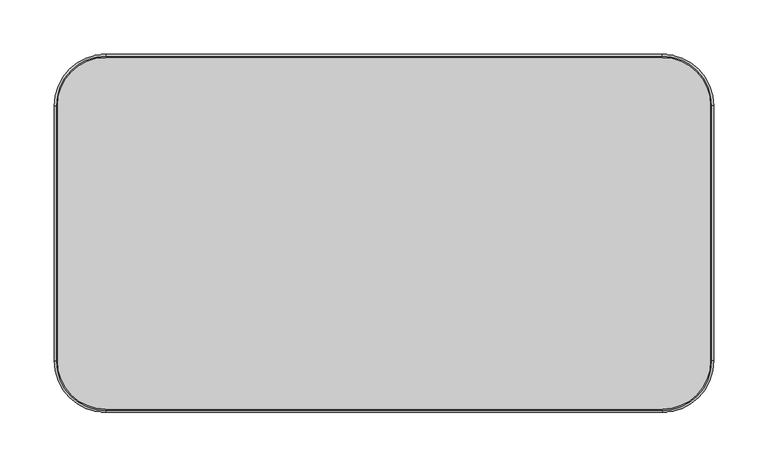
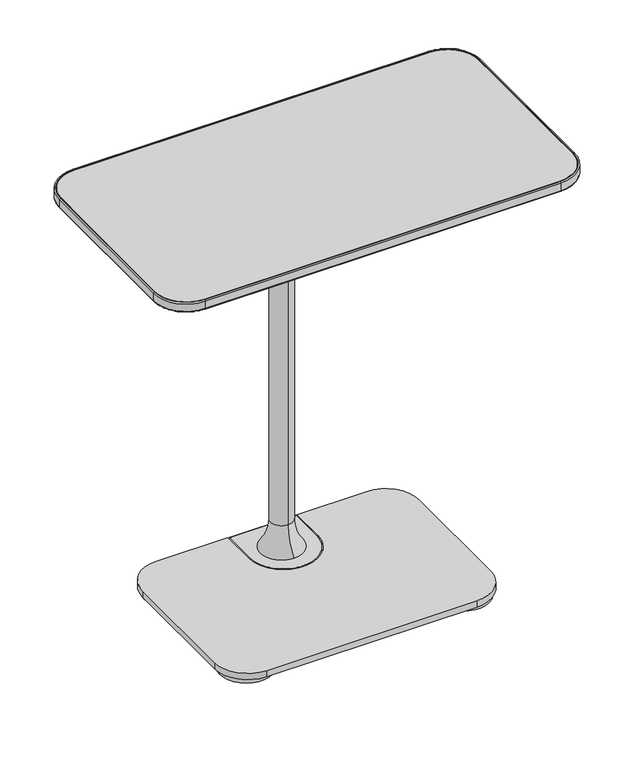
"""IFC4 building model written with IfcOpenShell, lengths in millimetres: furniture geometry."""

import ifcopenshell
import ifcopenshell.guid

model = None  # the IFC model being written
_history = None  # IfcOwnerHistory: only IFC2X3 demands one
_inside = {}  # id of a spatial element -> (the spatial element, [elements in it])
_under = {}  # id of a project, library or spatial element -> (it, [spatial elements below it])
_declared = {}  # id of a project -> (the project, [libraries it declares])
_typed = {}  # id of a type object -> (the type object, [elements of that type])
_made_of = {}  # id of a material, layer set ... -> (it, [elements and type objects made of it])


def new_model(schema):
    """Start an empty IFC model of exactly this schema.

    Asked for "IFC4X3", IfcOpenShell would pick the latest addendum, in which some entities
    have other attributes; the version numbers below select the first issue.
    IFC2X3 requires an IfcOwnerHistory on every rooted entity: one is made here for all.
    """
    global model, _history
    if schema == "IFC4X3":
        model = ifcopenshell.file(schema_version=(4, 3, 0, 0))
    else:
        model = ifcopenshell.file(schema=schema)
    _inside.clear()
    _under.clear()
    _declared.clear()
    _typed.clear()
    _made_of.clear()
    _history = None
    if model.schema == "IFC2X3":
        org = make("IfcOrganization", Name="unknown")
        user = make(
            "IfcPersonAndOrganization",
            ThePerson=make("IfcPerson", FamilyName="unknown"),
            TheOrganization=org,
        )
        app = make(
            "IfcApplication",
            ApplicationDeveloper=org,
            Version="unknown",
            ApplicationFullName="unknown",
            ApplicationIdentifier="unknown",
        )
        _history = make(
            "IfcOwnerHistory",
            OwningUser=user,
            OwningApplication=app,
            ChangeAction="ADDED",
            CreationDate=0,
        )
    return model


def make(cls, **values):
    """One entity of the class cls with the attributes given. An attribute that is None is left unset."""
    return model.create_entity(
        cls, **{name: value for name, value in values.items() if value is not None}
    )


def rooted(cls, **values):
    """An entity with a GlobalId (a new one), such as an element, a storey or a relation."""
    return make(cls, GlobalId=ifcopenshell.guid.new(), OwnerHistory=_history, **values)


def si_unit(unit_type, name, prefix=None):
    """IfcSIUnit, for example si_unit("LENGTHUNIT", "METRE", prefix="MILLI")."""
    return make("IfcSIUnit", UnitType=unit_type, Prefix=prefix, Name=name)


def assignment(units):
    """IfcUnitAssignment: the units of a project."""
    return None if units is None else make("IfcUnitAssignment", Units=units)


def point(xyz):
    """IfcCartesianPoint."""
    return None if xyz is None else make("IfcCartesianPoint", Coordinates=xyz)


def direction(xyz):
    """IfcDirection."""
    return None if xyz is None else make("IfcDirection", DirectionRatios=xyz)


def frame(location, z_axis=None, x_axis=None):
    """IfcAxis2Placement3D, a coordinate frame: its origin and axes. An axis left out is left unset."""
    return make(
        "IfcAxis2Placement3D",
        Location=point(location),
        Axis=direction(z_axis),
        RefDirection=direction(x_axis),
    )


def frame_2d(location, x_axis=None):
    """IfcAxis2Placement2D, a coordinate frame in the plane: its origin and x axis."""
    return make(
        "IfcAxis2Placement2D", Location=point(location), RefDirection=direction(x_axis)
    )


def origin():
    """The frame at (0, 0, 0) with its axes left unset."""
    return frame((0.0, 0.0, 0.0))


def origin_with_axes():
    """The frame at (0, 0, 0) with the z axis (0, 0, 1) and the x axis (1, 0, 0) written out."""
    return frame((0.0, 0.0, 0.0), z_axis=(0.0, 0.0, 1.0), x_axis=(1.0, 0.0, 0.0))


def place(relative_to, where):
    """IfcLocalPlacement: puts the frame where relative to a parent placement (None: the world)."""
    return make(
        "IfcLocalPlacement", PlacementRelTo=relative_to, RelativePlacement=where
    )


def context(
    kind, dimensions, precision=None, world=None, true_north=None, identifier=None
):
    """IfcGeometricRepresentationContext, for example the 3D "Model" context."""
    return make(
        "IfcGeometricRepresentationContext",
        ContextIdentifier=identifier,
        ContextType=kind,
        CoordinateSpaceDimension=dimensions,
        Precision=precision,
        WorldCoordinateSystem=world,
        TrueNorth=true_north,
    )


def project(units=None, contexts=None):
    """IfcProject with its units and contexts."""
    return rooted(
        "IfcProject",
        Name="project",
        RepresentationContexts=contexts,
        UnitsInContext=assignment(units),
    )


def spatial(cls, under=None, at=None, **own):
    """A site, building, storey or space (cls), placed at a placement, below another one or the project."""
    s = rooted(cls, ObjectPlacement=at, **own)
    if under is not None:
        _under.setdefault(under.id(), (under, []))[1].append(s)
    return s


def polyline(points):
    """IfcPolyline through the points."""
    return make("IfcPolyline", Points=[point(p) for p in points])


def circle_curve(where, radius):
    """IfcCircle in the frame where."""
    return make("IfcCircle", Position=where, Radius=radius)


def ellipse_curve(where, semi_axis1, semi_axis2):
    """IfcEllipse in the frame where."""
    return make(
        "IfcEllipse", Position=where, SemiAxis1=semi_axis1, SemiAxis2=semi_axis2
    )


def trimmed(basis, trim1, trim2, sense, master):
    """IfcTrimmedCurve: the piece of a basis curve between two trims."""
    return make(
        "IfcTrimmedCurve",
        BasisCurve=basis,
        Trim1=trim1,
        Trim2=trim2,
        SenseAgreement=sense,
        MasterRepresentation=master,
    )


def segment(curve, same_sense, transition):
    """IfcCompositeCurveSegment."""
    return make(
        "IfcCompositeCurveSegment",
        Transition=transition,
        SameSense=same_sense,
        ParentCurve=curve,
    )


def composite_curve(segments, self_intersect=None):
    """IfcCompositeCurve: segments joined end to end."""
    return make("IfcCompositeCurve", Segments=segments, SelfIntersect=self_intersect)


def outline(outer, holes=None, kind="AREA"):
    """IfcArbitraryClosedProfileDef: a profile drawn as a closed curve; with holes, ...WithVoids."""
    if holes is None:
        return make("IfcArbitraryClosedProfileDef", ProfileType=kind, OuterCurve=outer)
    return make(
        "IfcArbitraryProfileDefWithVoids",
        ProfileType=kind,
        OuterCurve=outer,
        InnerCurves=holes,
    )


def extrude(swept, where, along, depth):
    """IfcExtrudedAreaSolid: the profile swept, set in the frame where, extruded along a direction by depth."""
    return make(
        "IfcExtrudedAreaSolid",
        SweptArea=swept,
        Position=where,
        ExtrudedDirection=direction(along),
        Depth=depth,
    )


def shape(context_of_items, identifier, shape_type, items):
    """IfcShapeRepresentation: the items that make up one representation, for example the "Body"."""
    return make(
        "IfcShapeRepresentation",
        ContextOfItems=context_of_items,
        RepresentationIdentifier=identifier,
        RepresentationType=shape_type,
        Items=items,
    )


def source(mapping_origin, context_of_items, identifier, shape_type, items):
    """IfcRepresentationMap: a shape defined once, which mapped items show again and again."""
    return make(
        "IfcRepresentationMap",
        MappingOrigin=mapping_origin,
        MappedRepresentation=shape(context_of_items, identifier, shape_type, items),
    )


def transform(
    local_origin,
    x_axis=None,
    y_axis=None,
    z_axis=None,
    scale=None,
    scale2=None,
    scale3=None,
    uniform=True,
):
    """IfcCartesianTransformationOperator3D, or its non-uniform kind. x_axis, y_axis, z_axis: its Axis1, 2, 3."""
    if uniform:
        return make(
            "IfcCartesianTransformationOperator3D",
            Axis1=direction(x_axis),
            Axis2=direction(y_axis),
            LocalOrigin=point(local_origin),
            Scale=scale,
            Axis3=direction(z_axis),
        )
    return make(
        "IfcCartesianTransformationOperator3DnonUniform",
        Axis1=direction(x_axis),
        Axis2=direction(y_axis),
        LocalOrigin=point(local_origin),
        Scale=scale,
        Axis3=direction(z_axis),
        Scale2=scale2,
        Scale3=scale3,
    )


def mapped(mapping_source, mapping_target):
    """IfcMappedItem: shows the shape of a source again, moved by a transform."""
    return make(
        "IfcMappedItem", MappingSource=mapping_source, MappingTarget=mapping_target
    )


def made_of(thing, what):
    """Note that an element or type object is made of a material, layer set ...; save() writes the relation."""
    if what is not None:
        _made_of.setdefault(what.id(), (what, []))[1].append(thing)
    return thing


def element(
    cls,
    number,
    at=None,
    inside=None,
    cuts=None,
    type_object=None,
    material=None,
    context=None,
    identifier="Body",
    shape_type=None,
    held_by="IfcProductDefinitionShape",
    body=None,
    shapes=None,
    **own,
):
    """One element of the class cls, such as IfcWall. Its Tag is "e" and its number.

    at: its placement. inside: the storey or other place that contains it. cuts: it is an
    opening in that element (IfcRelVoidsElement). A single representation is given by context,
    identifier, shape_type and body (its items); several are given by shapes. held_by: the class
    of the entity that holds the representations. save() writes the other relations.
    """
    e = rooted(cls, Tag="e%d" % number, ObjectPlacement=at, **own)
    if body is not None:
        shapes = [shape(context, identifier, shape_type, body)]
    if shapes is not None:
        e.Representation = make(held_by, Representations=shapes)
    if inside is not None:
        _inside.setdefault(inside.id(), (inside, []))[1].append(e)
    if cuts is not None:
        rooted(
            "IfcRelVoidsElement", RelatingBuildingElement=cuts, RelatedOpeningElement=e
        )
    if type_object is not None:
        _typed.setdefault(type_object.id(), (type_object, []))[1].append(e)
    return made_of(e, material)


def aggregate(whole, parts):
    """IfcRelAggregates: a whole, such as a stair, and the parts it consists of."""
    return rooted("IfcRelAggregates", RelatingObject=whole, RelatedObjects=parts)


def save(model, path):
    """Write the relations noted so far, then the file.

    IfcRelAggregates (storeys below a building ...), IfcRelContainedInSpatialStructure (elements
    in a storey), IfcRelDefinesByType, IfcRelAssociatesMaterial and IfcRelDeclares: one each for
    every whole, place, type object, material and project.
    """
    for whole, parts in _under.values():
        aggregate(whole, parts)
    for where, things in _inside.values():
        rooted(
            "IfcRelContainedInSpatialStructure",
            RelatedElements=things,
            RelatingStructure=where,
        )
    for kind, things in _typed.values():
        rooted("IfcRelDefinesByType", RelatedObjects=things, RelatingType=kind)
    for what, things in _made_of.values():
        rooted("IfcRelAssociatesMaterial", RelatedObjects=things, RelatingMaterial=what)
    for by, libraries in _declared.values():
        rooted("IfcRelDeclares", RelatingContext=by, RelatedDefinitions=libraries)
    model.write(path)


def plane_surface(at):
    """IfcPlane: the flat surface through the origin of the frame at, square to its z axis."""
    return make("IfcPlane", Position=at)


def cylinder_surface(at, radius):
    """IfcCylindricalSurface: all points at the distance radius from the z axis of the frame at."""
    return make("IfcCylindricalSurface", Position=at, Radius=radius)


def revolved_surface(curve, axis_point, axis_direction):
    """IfcSurfaceOfRevolution: the curve turned about the line through axis_point along axis_direction."""
    return make(
        "IfcSurfaceOfRevolution",
        SweptCurve=make("IfcArbitraryOpenProfileDef", ProfileType="CURVE", Curve=curve),
        AxisPosition=make("IfcAxis1Placement", Location=point(axis_point), Axis=direction(axis_direction)),
    )


def advanced_brep(points, edges, surfaces, faces):
    """IfcAdvancedBrep: a solid bounded by faces that lie on surfaces and meet in shared edges.

    An edge is (start, end): straight between two places in points (the first is 0);
    or (start, end, curve); or (start, end, curve, False) where it runs against its curve.
    A face is (place in surfaces, loops), or (place, loops, False) where it looks against
    its surface's normal. A loop lists edges by number (the first is 1), with a minus sign
    where the edge is run from its end to its start. The first loop is the outer one.
    """
    corners = [point(p) for p in points]
    vertices = [make("IfcVertexPoint", VertexGeometry=c) for c in corners]
    made = []
    for start, end, *more in edges:
        made.append(
            make(
                "IfcEdgeCurve",
                EdgeStart=vertices[start],
                EdgeEnd=vertices[end],
                EdgeGeometry=more[0] if more else make("IfcPolyline", Points=[corners[start], corners[end]]),
                SameSense=more[1] if len(more) > 1 else True,
            )
        )
    hull = []
    for where, loops, *sense in faces:
        bounds = []
        for j, loop in enumerate(loops):
            ring = [make("IfcOrientedEdge", EdgeElement=made[abs(k) - 1], Orientation=k > 0) for k in loop]
            bounds.append(
                make(
                    "IfcFaceOuterBound" if j == 0 else "IfcFaceBound",
                    Bound=make("IfcEdgeLoop", EdgeList=ring),
                    Orientation=True,
                )
            )
        hull.append(make("IfcAdvancedFace", Bounds=bounds, FaceSurface=surfaces[where], SameSense=sense[0] if sense else True))
    return make("IfcAdvancedBrep", Outer=make("IfcClosedShell", CfsFaces=hull))


def furniture_d2e51079(model_context):
    return source(origin(), model_context, "Body", "SolidModel", [
        advanced_brep(
        [(-48.435586, 86.197599, 15.3754683), (51.6565428, 86.197599, 15.3754683), (50.1397432, 86.197599, 16.8922679), (-46.9187865, 86.197599, 16.8922679), (-48.435586, 86.197599, 7.5129953), (51.6565428, 86.197599, 7.5129953), (-46.9187865, 135.1065525, 16.8922679), (-48.435586, 135.1065525, 15.3754683), (-48.435586, 135.1065525, 7.5129953), (-44.9985216, 138.543617, 15.3754683), (-44.9985216, 137.0268174, 16.8922679), (48.2194784, 137.0268174, 16.8922679), (48.2194784, 138.543617, 15.3754683), (48.2194784, 138.543617, 7.5129953), (-44.9985216, 138.543617, 7.5129953), (51.6565428, 135.1065525, 15.3754683), (50.1397432, 135.1065525, 16.8922679), (51.6565428, 135.1065525, 7.5129953)],
        [
            (0, 1, circle_curve(frame((1.6104784, 86.197599, 15.3754683), z_axis=(0.0, 0.0, 1.0), x_axis=(1.0, 0.0, 0.0)), 50.0460644)),
            (1, 2, circle_curve(frame((50.1397432, 86.197599, 15.3754683), z_axis=(0.0, -1.0, 0.0), x_axis=(1.0, 0.0, 0.0)), 1.5167996)),
            (2, 3, circle_curve(frame((1.6104784, 86.197599, 16.8922679), z_axis=(0.0, 0.0, -1.0), x_axis=(1.0, 0.0, 0.0)), 48.5292649)),
            (3, 0, circle_curve(frame((-46.9187865, 86.197599, 15.3754683), z_axis=(0.0, -1.0, 0.0), x_axis=(-1.0, 0.0, 0.0)), 1.5167996)),
            (0, 4),
            (4, 5, circle_curve(frame((1.6104784, 86.197599, 7.5129953), z_axis=(0.0, 0.0, 1.0), x_axis=(1.0, 0.0, 0.0)), 50.0460644)),
            (5, 1),
            (3, 6),
            (6, 7, circle_curve(frame((-46.9187865, 135.1065525, 15.3754683), z_axis=(0.0, -1.0, 0.0), x_axis=(-1.0, 0.0, 0.0)), 1.5167996)),
            (7, 0),
            (7, 8),
            (8, 4),
            (9, 10, circle_curve(frame((-44.9985216, 137.0268174, 15.3754683), z_axis=(1.0, 0.0, 0.0), x_axis=(0.0, 1.0, 0.0)), 1.5167996)),
            (10, 11),
            (11, 12, circle_curve(frame((48.2194784, 137.0268174, 15.3754683), z_axis=(-1.0, 0.0, 0.0), x_axis=(0.0, 1.0, 0.0)), 1.5167996)),
            (12, 9),
            (12, 13),
            (13, 14),
            (14, 9),
            (1, 15),
            (15, 16, circle_curve(frame((50.1397432, 135.1065525, 15.3754683), z_axis=(0.0, -1.0, 0.0), x_axis=(1.0, 0.0, 0.0)), 1.5167996)),
            (16, 2),
            (5, 17),
            (17, 15),
            (6, 10, circle_curve(frame((-44.9985216, 135.1065525, 16.8922679), z_axis=(0.0, 0.0, -1.0), x_axis=(-1.0, 0.0, 0.0)), 1.9202649)),
            (9, 7, circle_curve(frame((-44.9985216, 135.1065525, 15.3754683), z_axis=(0.0, 0.0, 1.0), x_axis=(-1.0, 0.0, 0.0)), 3.4370644)),
            (14, 8, circle_curve(frame((-44.9985216, 135.1065525, 7.5129953), z_axis=(0.0, 0.0, 1.0), x_axis=(-1.0, 0.0, 0.0)), 3.4370644)),
            (16, 11, circle_curve(frame((48.2194784, 135.1065525, 16.8922679), z_axis=(0.0, 0.0, 1.0), x_axis=(0.0, 1.0, 0.0)), 1.9202649)),
            (15, 12, circle_curve(frame((48.2194784, 135.1065525, 15.3754683), z_axis=(0.0, 0.0, 1.0), x_axis=(0.0, 1.0, 0.0)), 3.4370644)),
            (17, 13, circle_curve(frame((48.2194784, 135.1065525, 7.5129953), z_axis=(0.0, 0.0, 1.0), x_axis=(0.0, 1.0, 0.0)), 3.4370644)),
        ],
        [
            revolved_surface(trimmed(ellipse_curve(frame((50.1397432, 86.197599, 15.3754683), z_axis=(0.0, 1.0, 0.0), x_axis=(1.0, 0.0, 0.0)), 1.5167996, 1.5167996), [point((50.1397432, 86.197599, 16.8922679))], [point((51.6565428, 86.197599, 15.3754683))], True, "CARTESIAN"), (1.6104784, 86.197599, 16.8922679), (0.0, 0.0, -1.0)),
            cylinder_surface(frame((1.6104784, 86.197599, 16.8922679), z_axis=(0.0, 0.0, -1.0), x_axis=(1.0, 0.0, 0.0)), 50.0460644),
            cylinder_surface(frame((-46.9187865, 86.197599, 15.3754683), z_axis=(0.0, -1.0, 0.0), x_axis=(-1.0, 0.0, 0.0)), 1.5167996),
            plane_surface(frame((-48.435586, 86.197599, 15.3754683), z_axis=(-1.0, 0.0, 0.0), x_axis=(0.0, 1.0, 0.0))),
            cylinder_surface(frame((-44.9985216, 137.0268174, 15.3754683), z_axis=(-1.0, 0.0, 0.0), x_axis=(0.0, 1.0, 0.0)), 1.5167996),
            plane_surface(frame((-44.9985216, 138.543617, 15.3754683), z_axis=(0.0, 1.0, 0.0), x_axis=(1.0, 0.0, 0.0))),
            cylinder_surface(frame((50.1397432, 135.1065525, 15.3754683), z_axis=(0.0, 1.0, 0.0), x_axis=(1.0, 0.0, 0.0)), 1.5167996),
            plane_surface(frame((51.6565428, 135.1065525, 15.3754683), z_axis=(1.0, 0.0, 0.0), x_axis=(0.0, -1.0, 0.0))),
            revolved_surface(trimmed(ellipse_curve(frame((-46.9187865, 135.1065525, 15.3754683), z_axis=(0.0, -1.0, 0.0), x_axis=(-1.0, 0.0, 0.0)), 1.5167996, 1.5167996), [point((-46.9187865, 135.1065525, 16.8922679))], [point((-48.435586, 135.1065525, 15.3754683))], True, "CARTESIAN"), (-44.9985216, 135.1065525, 16.8922679), (0.0, 0.0, -1.0)),
            cylinder_surface(frame((-44.9985216, 135.1065525, 16.8922679), z_axis=(0.0, 0.0, -1.0), x_axis=(-1.0, 0.0, 0.0)), 3.4370644),
            plane_surface(frame((48.2194784, 135.1065525, 16.8922679), z_axis=(0.0, 0.0, 1.0), x_axis=(0.0, 1.0, 0.0))),
            revolved_surface(trimmed(ellipse_curve(frame((48.2194784, 137.0268174, 15.3754683), z_axis=(-1.0, 0.0, 0.0), x_axis=(0.0, 1.0, 0.0)), 1.5167996, 1.5167996), [point((48.2194784, 137.0268174, 16.8922679))], [point((48.2194784, 138.543617, 15.3754683))], True, "CARTESIAN"), (48.2194784, 135.1065525, 16.8922679), (0.0, 0.0, -1.0)),
            cylinder_surface(frame((48.2194784, 135.1065525, 16.8922679), z_axis=(0.0, 0.0, -1.0), x_axis=(0.0, 1.0, 0.0)), 3.4370644),
            plane_surface(frame((48.2194784, 135.1065525, 7.5129953), z_axis=(0.0, 0.0, -1.0), x_axis=(0.0, 1.0, 0.0))),
        ],
        [
            (0, [[1, 2, 3, 4]]),
            (1, [[-1, 5, 6, 7]]),
            (2, [[-4, 8, 9, 10]]),
            (3, [[-5, -10, 11, 12]]),
            (4, [[13, 14, 15, 16]]),
            (5, [[-16, 17, 18, 19]]),
            (6, [[-2, 20, 21, 22]]),
            (7, [[-7, 23, 24, -20]]),
            (8, [[-9, 25, -13, 26]]),
            (9, [[-11, -26, -19, 27]]),
            (10, [[-3, -22, 28, -14, -25, -8]]),
            (11, [[-15, -28, -21, 29]]),
            (12, [[-17, -29, -24, 30]]),
            (13, [[-6, -12, -27, -18, -30, -23]]),
        ],
    ),
        advanced_brep(
        [(0.3050059, 104.0506461, 613.6754053), (0.3050059, 104.0506461, 59.1225811), (0.3050059, 72.1983752, 59.1225811), (0.3050059, 72.1983752, 613.6754053), (0.3050059, 57.1200218, 16.8922679), (0.3050059, 119.1289995, 16.8922679), (0.3050059, 88.1245106, 16.8922679), (130.6684254, 113.5493395, 620.8077946), (-128.4115261, 113.5493395, 620.8077946), (-138.5715261, 103.3893395, 620.8077946), (-138.5715261, -28.6906605, 620.8077946), (-128.4115261, -38.8506605, 620.8077946), (130.6684254, -38.8506605, 620.8077946), (140.8284254, -28.6906605, 620.8077946), (140.8284254, 103.3893395, 620.8077946), (130.6684254, 113.5493395, 613.6754053), (140.8284254, 103.3893395, 613.6754053), (140.8284254, -28.6906605, 613.6754053), (130.6684254, -38.8506605, 613.6754053), (-128.4115261, -38.8506605, 613.6754053), (-138.5715261, -28.6906605, 613.6754053), (-138.5715261, 103.3893395, 613.6754053), (-128.4115261, 113.5493395, 613.6754053)],
        [
            (0, 1),
            (1, 2, circle_curve(frame((0.3050059, 88.1245106, 59.1225811), z_axis=(0.0, 0.0, 1.0), x_axis=(0.0, 1.0, 0.0)), 15.9261354)),
            (2, 3),
            (3, 0, circle_curve(frame((0.3050059, 88.1245106, 613.6754053), z_axis=(0.0, 0.0, -1.0), x_axis=(0.0, 1.0, 0.0)), 15.9261354)),
            (0, 3, circle_curve(frame((0.3050059, 88.1245106, 613.6754053), z_axis=(0.0, 0.0, -1.0), x_axis=(0.0, 1.0, 0.0)), 15.9261354)),
            (2, 1, circle_curve(frame((0.3050059, 88.1245106, 59.1225811), z_axis=(0.0, 0.0, 1.0), x_axis=(0.0, 1.0, 0.0)), 15.9261354)),
            (4, 5, circle_curve(frame((0.3050059, 88.1245106, 16.8922679), z_axis=(0.0, 0.0, -1.0), x_axis=(0.0, 1.0, 0.0)), 31.0044888)),
            (5, 6),
            (6, 4),
            (5, 4, circle_curve(frame((0.3050059, 88.1245106, 16.8922679), z_axis=(0.0, 0.0, -1.0), x_axis=(0.0, 1.0, 0.0)), 31.0044888)),
            (1, 5, circle_curve(frame((0.3050059, 170.7275585, 59.1225811), z_axis=(1.0, 0.0, 0.0), x_axis=(0.0, 1.0, 0.0)), 66.6769124)),
            (4, 2, circle_curve(frame((0.3050059, 5.5214628, 59.1225811), z_axis=(1.0, 0.0, 0.0), x_axis=(0.0, -1.0, 0.0)), 66.6769124)),
            (7, 8),
            (8, 9, circle_curve(frame((-128.4115261, 103.3893395, 620.8077946), z_axis=(0.0, 0.0, 1.0), x_axis=(1.0, 0.0, 0.0)), 10.16)),
            (9, 10),
            (10, 11, circle_curve(frame((-128.4115261, -28.6906605, 620.8077946), z_axis=(0.0, 0.0, 1.0), x_axis=(1.0, 0.0, 0.0)), 10.16)),
            (11, 12),
            (12, 13, circle_curve(frame((130.6684254, -28.6906605, 620.8077946), z_axis=(0.0, 0.0, 1.0), x_axis=(1.0, 0.0, 0.0)), 10.16)),
            (13, 14),
            (14, 7, circle_curve(frame((130.6684254, 103.3893395, 620.8077946), z_axis=(0.0, 0.0, 1.0), x_axis=(1.0, 0.0, 0.0)), 10.16)),
            (15, 16, circle_curve(frame((130.6684254, 103.3893395, 613.6754053), z_axis=(0.0, 0.0, -1.0), x_axis=(1.0, 0.0, 0.0)), 10.16)),
            (16, 17),
            (17, 18, circle_curve(frame((130.6684254, -28.6906605, 613.6754053), z_axis=(0.0, 0.0, -1.0), x_axis=(1.0, 0.0, 0.0)), 10.16)),
            (18, 19),
            (19, 20, circle_curve(frame((-128.4115261, -28.6906605, 613.6754053), z_axis=(0.0, 0.0, -1.0), x_axis=(1.0, 0.0, 0.0)), 10.16)),
            (20, 21),
            (21, 22, circle_curve(frame((-128.4115261, 103.3893395, 613.6754053), z_axis=(0.0, 0.0, -1.0), x_axis=(1.0, 0.0, 0.0)), 10.16)),
            (22, 15),
            (7, 15),
            (22, 8),
            (21, 9),
            (20, 10),
            (19, 11),
            (18, 12),
            (17, 13),
            (16, 14),
        ],
        [
            cylinder_surface(frame((0.3050059, 88.1245106, 738.9341599), z_axis=(0.0, 0.0, 1.0), x_axis=(0.0, 1.0, 0.0)), 15.9261354),
            plane_surface(frame((0.3050059, 88.1245106, 16.8922679), z_axis=(0.0, 0.0, -1.0), x_axis=(0.0, 1.0, 0.0))),
            revolved_surface(trimmed(ellipse_curve(frame((0.3050059, 170.7275585, 59.1225811), z_axis=(-1.0, 0.0, 0.0), x_axis=(0.0, 1.0, 0.0)), 66.6769124, 66.6769124), [point((0.3050059, 119.1289995, 16.8922679))], [point((0.3050059, 104.0506461, 59.1225811))], True, "CARTESIAN"), (0.3050059, 88.1245106, 738.9341599), (0.0, 0.0, 1.0)),
            plane_surface(frame((-138.5715261, 113.5493395, 620.8077946), z_axis=(0.0, 0.0, 1.0), x_axis=(-1.0, 0.0, 0.0))),
            plane_surface(frame((-138.5715261, 113.5493395, 613.6754053), z_axis=(0.0, 0.0, -1.0), x_axis=(1.0, 0.0, 0.0))),
            plane_surface(frame((130.6684254, 113.5493395, 620.8077946), z_axis=(0.0, 1.0, 0.0), x_axis=(0.0, 0.0, -1.0))),
            cylinder_surface(frame((-128.4115261, 103.3893395, 613.6754053), z_axis=(0.0, 0.0, 1.0), x_axis=(1.0, 0.0, 0.0)), 10.16),
            plane_surface(frame((-138.5715261, 103.3893395, 620.8077946), z_axis=(-1.0, 0.0, 0.0), x_axis=(0.0, 0.0, -1.0))),
            cylinder_surface(frame((-128.4115261, -28.6906605, 613.6754053), z_axis=(0.0, 0.0, 1.0), x_axis=(1.0, 0.0, 0.0)), 10.16),
            plane_surface(frame((-128.4115261, -38.8506605, 620.8077946), z_axis=(0.0, -1.0, 0.0), x_axis=(0.0, 0.0, -1.0))),
            cylinder_surface(frame((130.6684254, -28.6906605, 613.6754053), z_axis=(0.0, 0.0, 1.0), x_axis=(1.0, 0.0, 0.0)), 10.16),
            plane_surface(frame((140.8284254, -28.6906605, 620.8077946), z_axis=(1.0, 0.0, 0.0), x_axis=(0.0, 0.0, -1.0))),
            cylinder_surface(frame((130.6684254, 103.3893395, 613.6754053), z_axis=(0.0, 0.0, 1.0), x_axis=(1.0, 0.0, 0.0)), 10.16),
        ],
        [
            (0, [[1, 2, 3, 4]]),
            (0, [[-1, 5, -3, 6]]),
            (1, [[7, 8, 9]]),
            (1, [[-8, 10, -9]]),
            (2, [[-2, 11, -7, 12]]),
            (2, [[-6, -12, -10, -11]]),
            (3, [[13, 14, 15, 16, 17, 18, 19, 20]]),
            (4, [[21, 22, 23, 24, 25, 26, 27, 28], [-4, -5]]),
            (5, [[-13, 29, -28, 30]]),
            (6, [[-14, -30, -27, 31]]),
            (7, [[-15, -31, -26, 32]]),
            (8, [[-16, -32, -25, 33]]),
            (9, [[-17, -33, -24, 34]]),
            (10, [[-18, -34, -23, 35]]),
            (11, [[-19, -35, -22, 36]]),
            (12, [[-20, -36, -21, -29]]),
        ],
    ),
        advanced_brep(
        [(-48.435586, 138.1507449, 16.8922679), (-151.226713, 138.1507449, 16.8922679), (-198.851713, 90.5257449, 16.8922679), (-198.851713, -89.2299982, 16.8922679), (-151.226713, -136.8549982, 16.8922679), (151.8367247, -136.8549982, 16.8922679), (199.4617247, -89.2299982, 16.8922679), (199.4617247, 90.5257449, 16.8922679), (151.8367247, 138.1507449, 16.8922679), (51.6565428, 138.1507449, 16.8922679), (51.6565428, 86.197599, 16.8922679), (-48.435586, 86.197599, 16.8922679), (-48.435586, 138.1507449, 7.5129953), (-48.435586, 86.197599, 7.5129953), (51.6565428, 86.197599, 7.5129953), (51.6565428, 138.1507449, 7.5129953), (151.8367247, 138.1507449, 7.5129953), (199.4617247, 90.5257449, 7.5129953), (199.4617247, -89.2299982, 7.5129953), (151.8367247, -136.8549982, 7.5129953), (-151.226713, -136.8549982, 7.5129953), (-198.851713, -89.2299982, 7.5129953), (-198.851713, 90.5257449, 7.5129953), (-151.226713, 138.1507449, 7.5129953)],
        [
            (0, 1),
            (1, 2, circle_curve(frame((-151.226713, 90.5257449, 16.8922679), z_axis=(0.0, 0.0, 1.0), x_axis=(1.0, 0.0, 0.0)), 47.625)),
            (2, 3),
            (3, 4, circle_curve(frame((-151.226713, -89.2299982, 16.8922679), z_axis=(0.0, 0.0, 1.0), x_axis=(1.0, 0.0, 0.0)), 47.625)),
            (4, 5),
            (5, 6, circle_curve(frame((151.8367247, -89.2299982, 16.8922679), z_axis=(0.0, 0.0, 1.0), x_axis=(1.0, 0.0, 0.0)), 47.625)),
            (6, 7),
            (7, 8, circle_curve(frame((151.8367247, 90.5257449, 16.8922679), z_axis=(0.0, 0.0, 1.0), x_axis=(1.0, 0.0, 0.0)), 47.625)),
            (8, 9),
            (9, 10),
            (10, 11, circle_curve(frame((1.6104784, 86.197599, 16.8922679), z_axis=(0.0, 0.0, -1.0), x_axis=(1.0, 0.0, 0.0)), 50.0460644)),
            (11, 0),
            (12, 13),
            (13, 14, circle_curve(frame((1.6104784, 86.197599, 7.5129953), z_axis=(0.0, 0.0, 1.0), x_axis=(1.0, 0.0, 0.0)), 50.0460644)),
            (14, 15),
            (15, 16),
            (16, 17, circle_curve(frame((151.8367247, 90.5257449, 7.5129953), z_axis=(0.0, 0.0, -1.0), x_axis=(1.0, 0.0, 0.0)), 47.625)),
            (17, 18),
            (18, 19, circle_curve(frame((151.8367247, -89.2299982, 7.5129953), z_axis=(0.0, 0.0, -1.0), x_axis=(1.0, 0.0, 0.0)), 47.625)),
            (19, 20),
            (20, 21, circle_curve(frame((-151.226713, -89.2299982, 7.5129953), z_axis=(0.0, 0.0, -1.0), x_axis=(1.0, 0.0, 0.0)), 47.625)),
            (21, 22),
            (22, 23, circle_curve(frame((-151.226713, 90.5257449, 7.5129953), z_axis=(0.0, 0.0, -1.0), x_axis=(1.0, 0.0, 0.0)), 47.625)),
            (23, 12),
            (0, 12),
            (23, 1),
            (22, 2),
            (21, 3),
            (20, 4),
            (19, 5),
            (18, 6),
            (17, 7),
            (16, 8),
            (15, 9),
            (14, 10),
            (13, 11),
        ],
        [
            plane_surface(frame((-151.226713, 138.1507449, 16.8922679), z_axis=(0.0, 0.0, 1.0), x_axis=(-1.0, 0.0, 0.0))),
            plane_surface(frame((-151.226713, 138.1507449, 7.5129953), z_axis=(0.0, 0.0, -1.0), x_axis=(1.0, 0.0, 0.0))),
            plane_surface(frame((-48.435586, 138.1507449, 16.8922679), z_axis=(0.0, 1.0, 0.0), x_axis=(0.0, 0.0, -1.0))),
            cylinder_surface(frame((-151.226713, 90.5257449, 7.5129953), z_axis=(0.0, 0.0, 1.0), x_axis=(1.0, 0.0, 0.0)), 47.625),
            plane_surface(frame((-198.851713, 90.5257449, 16.8922679), z_axis=(-1.0, 0.0, 0.0), x_axis=(0.0, 0.0, -1.0))),
            cylinder_surface(frame((-151.226713, -89.2299982, 7.5129953), z_axis=(0.0, 0.0, 1.0), x_axis=(1.0, 0.0, 0.0)), 47.625),
            plane_surface(frame((-151.226713, -136.8549982, 16.8922679), z_axis=(0.0, -1.0, 0.0), x_axis=(0.0, 0.0, -1.0))),
            cylinder_surface(frame((151.8367247, -89.2299982, 7.5129953), z_axis=(0.0, 0.0, 1.0), x_axis=(1.0, 0.0, 0.0)), 47.625),
            plane_surface(frame((199.4617247, -89.2299982, 16.8922679), z_axis=(1.0, 0.0, 0.0), x_axis=(0.0, 0.0, -1.0))),
            cylinder_surface(frame((151.8367247, 90.5257449, 7.5129953), z_axis=(0.0, 0.0, 1.0), x_axis=(1.0, 0.0, 0.0)), 47.625),
            plane_surface(frame((151.8367247, 138.1507449, 16.8922679), z_axis=(0.0, 1.0, 0.0), x_axis=(0.0, 0.0, -1.0))),
            plane_surface(frame((51.6565428, 138.1507449, 16.8922679), z_axis=(-1.0, 0.0, 0.0), x_axis=(0.0, 0.0, -1.0))),
            revolved_surface(polyline([(51.6565428, 86.197599, 7.5129953), (51.6565428, 86.197599, 16.8922679)]), (1.6104784, 86.197599, 7.5129953), (0.0, 0.0, -1.0)),
            plane_surface(frame((-48.435586, 86.197599, 16.8922679), z_axis=(1.0, 0.0, 0.0), x_axis=(0.0, 0.0, -1.0))),
        ],
        [
            (0, [[1, 2, 3, 4, 5, 6, 7, 8, 9, 10, 11, 12]]),
            (1, [[13, 14, 15, 16, 17, 18, 19, 20, 21, 22, 23, 24]]),
            (2, [[-1, 25, -24, 26]]),
            (3, [[-2, -26, -23, 27]]),
            (4, [[-3, -27, -22, 28]]),
            (5, [[-4, -28, -21, 29]]),
            (6, [[-5, -29, -20, 30]]),
            (7, [[-6, -30, -19, 31]]),
            (8, [[-7, -31, -18, 32]]),
            (9, [[-8, -32, -17, 33]]),
            (10, [[-9, -33, -16, 34]]),
            (11, [[-10, -34, -15, 35]]),
            (12, [[-11, -35, -14, 36]]),
            (13, [[-12, -36, -13, -25]]),
        ],
    ),
        advanced_brep(
        [(-303.6671081, 117.6038988, 633.3581839), (-256.1710069, 165.1, 633.3581839), (-256.1710069, 165.1, 622.5894697), (-303.6671081, 117.6038988, 622.5894697), (-300.6210069, 117.6038988, 620.8077946), (-256.1710069, 162.0538988, 620.8077946), (-256.1710069, 162.0538988, 635.031781), (-300.6210069, 117.6038988, 635.031781), (-303.6671081, -117.6038988, 622.5894697), (-303.6671081, -117.6038988, 633.3581839), (-300.6210069, -117.6038988, 635.031781), (-300.6210069, -117.6038988, 620.8077946), (-256.1710069, -165.1, 633.3581839), (-256.1710069, -165.1, 622.5894697), (-256.1710069, -162.0538988, 620.8077946), (-256.1710069, -162.0538988, 635.031781), (256.7810186, -165.1, 622.5894697), (256.7810186, -165.1, 633.3581839), (256.7810186, -162.0538988, 635.031781), (256.7810186, -162.0538988, 620.8077946), (304.2771199, -117.6038988, 633.3581839), (304.2771199, -117.6038988, 622.5894697), (301.2310186, -117.6038988, 620.8077946), (301.2310186, -117.6038988, 635.031781), (304.2771199, 117.6038988, 622.5894697), (304.2771199, 117.6038988, 633.3581839), (301.2310186, 117.6038988, 635.031781), (301.2310186, 117.6038988, 620.8077946), (256.7810186, 165.1, 633.3581839), (256.7810186, 165.1, 622.5894697), (256.7810186, 162.0538988, 620.8077946), (256.7810186, 162.0538988, 635.031781), (-256.1710069, 163.3183249, 620.8077946), (-301.885433, 117.6038988, 620.8077946), (-301.9935111, 117.6038988, 635.031781), (-256.1710069, 163.4264029, 635.031781), (-301.885433, -117.6038988, 620.8077946), (-301.9935111, -117.6038988, 635.031781), (-256.1710069, -163.3183249, 620.8077946), (-256.1710069, -163.4264029, 635.031781), (256.7810186, -163.3183249, 620.8077946), (256.7810186, -163.4264029, 635.031781), (302.4954448, -117.6038988, 620.8077946), (302.6035228, -117.6038988, 635.031781), (302.4954448, 117.6038988, 620.8077946), (302.6035228, 117.6038988, 635.031781), (256.7810186, 163.3183249, 620.8077946), (256.7810186, 163.4264029, 635.031781)],
        [
            (0, 1, circle_curve(frame((-256.1710069, 117.6038988, 633.3581839), z_axis=(0.0, 0.0, -1.0), x_axis=(0.0, 1.0, 0.0)), 47.4961012)),
            (1, 2),
            (2, 3, circle_curve(frame((-256.1710069, 117.6038988, 622.5894697), z_axis=(0.0, 0.0, 1.0), x_axis=(0.0, 1.0, 0.0)), 47.4961012)),
            (3, 0),
            (4, 5, circle_curve(frame((-256.1710069, 117.6038988, 620.8077946), z_axis=(0.0, 0.0, -1.0), x_axis=(0.0, 1.0, 0.0)), 44.45)),
            (5, 6),
            (6, 7, circle_curve(frame((-256.1710069, 117.6038988, 635.031781), z_axis=(0.0, 0.0, 1.0), x_axis=(0.0, 1.0, 0.0)), 44.45)),
            (7, 4),
            (3, 8),
            (8, 9),
            (9, 0),
            (7, 10),
            (10, 11),
            (11, 4),
            (12, 9, circle_curve(frame((-256.1710069, -117.6038988, 633.3581839), z_axis=(0.0, 0.0, -1.0), x_axis=(-1.0, 0.0, 0.0)), 47.4961012)),
            (8, 13, circle_curve(frame((-256.1710069, -117.6038988, 622.5894697), z_axis=(0.0, 0.0, 1.0), x_axis=(-1.0, 0.0, 0.0)), 47.4961012)),
            (13, 12),
            (14, 11, circle_curve(frame((-256.1710069, -117.6038988, 620.8077946), z_axis=(0.0, 0.0, -1.0), x_axis=(-1.0, 0.0, 0.0)), 44.45)),
            (10, 15, circle_curve(frame((-256.1710069, -117.6038988, 635.031781), z_axis=(0.0, 0.0, 1.0), x_axis=(-1.0, 0.0, 0.0)), 44.45)),
            (15, 14),
            (13, 16),
            (16, 17),
            (17, 12),
            (15, 18),
            (18, 19),
            (19, 14),
            (20, 17, circle_curve(frame((256.7810186, -117.6038988, 633.3581839), z_axis=(0.0, 0.0, -1.0), x_axis=(0.0, -1.0, 0.0)), 47.4961012)),
            (16, 21, circle_curve(frame((256.7810186, -117.6038988, 622.5894697), z_axis=(0.0, 0.0, 1.0), x_axis=(0.0, -1.0, 0.0)), 47.4961012)),
            (21, 20),
            (22, 19, circle_curve(frame((256.7810186, -117.6038988, 620.8077946), z_axis=(0.0, 0.0, -1.0), x_axis=(0.0, -1.0, 0.0)), 44.45)),
            (18, 23, circle_curve(frame((256.7810186, -117.6038988, 635.031781), z_axis=(0.0, 0.0, 1.0), x_axis=(0.0, -1.0, 0.0)), 44.45)),
            (23, 22),
            (21, 24),
            (24, 25),
            (25, 20),
            (23, 26),
            (26, 27),
            (27, 22),
            (28, 25, circle_curve(frame((256.7810186, 117.6038988, 633.3581839), z_axis=(0.0, 0.0, -1.0), x_axis=(1.0, 0.0, 0.0)), 47.4961012)),
            (24, 29, circle_curve(frame((256.7810186, 117.6038988, 622.5894697), z_axis=(0.0, 0.0, 1.0), x_axis=(1.0, 0.0, 0.0)), 47.4961012)),
            (29, 28),
            (30, 27, circle_curve(frame((256.7810186, 117.6038988, 620.8077946), z_axis=(0.0, 0.0, -1.0), x_axis=(1.0, 0.0, 0.0)), 44.45)),
            (26, 31, circle_curve(frame((256.7810186, 117.6038988, 635.031781), z_axis=(0.0, 0.0, 1.0), x_axis=(1.0, 0.0, 0.0)), 44.45)),
            (31, 30),
            (29, 2),
            (1, 28),
            (31, 6),
            (5, 30),
            (2, 32, circle_curve(frame((-256.1710069, 163.3183249, 622.5894697), z_axis=(-1.0, 0.0, 0.0), x_axis=(0.0, -1.0, 0.0)), 1.7816751)),
            (32, 33, circle_curve(frame((-256.1710069, 117.6038988, 620.8077946), z_axis=(0.0, 0.0, 1.0), x_axis=(0.0, 1.0, 0.0)), 45.7144261)),
            (33, 3, circle_curve(frame((-301.885433, 117.6038988, 622.5894697), z_axis=(0.0, 1.0, 0.0), x_axis=(1.0, 0.0, 0.0)), 1.7816751)),
            (34, 35, circle_curve(frame((-256.1710069, 117.6038988, 635.031781), z_axis=(0.0, 0.0, -1.0), x_axis=(0.0, 1.0, 0.0)), 45.8225042)),
            (35, 1, circle_curve(frame((-256.1710069, 163.4264029, 633.3581839), z_axis=(-1.0, 0.0, 0.0), x_axis=(0.0, -1.0, 0.0)), 1.6735971)),
            (0, 34, circle_curve(frame((-301.9935111, 117.6038988, 633.3581839), z_axis=(0.0, 1.0, 0.0), x_axis=(1.0, 0.0, 0.0)), 1.6735971)),
            (33, 36),
            (36, 8, circle_curve(frame((-301.885433, -117.6038988, 622.5894697), z_axis=(0.0, 1.0, 0.0), x_axis=(1.0, 0.0, 0.0)), 1.7816751)),
            (9, 37, circle_curve(frame((-301.9935111, -117.6038988, 633.3581839), z_axis=(0.0, 1.0, 0.0), x_axis=(1.0, 0.0, 0.0)), 1.6735971)),
            (37, 34),
            (36, 38, circle_curve(frame((-256.1710069, -117.6038988, 620.8077946), z_axis=(0.0, 0.0, 1.0), x_axis=(-1.0, 0.0, 0.0)), 45.7144261)),
            (38, 13, circle_curve(frame((-256.1710069, -163.3183249, 622.5894697), z_axis=(-1.0, 0.0, 0.0), x_axis=(0.0, 1.0, 0.0)), 1.7816751)),
            (39, 37, circle_curve(frame((-256.1710069, -117.6038988, 635.031781), z_axis=(0.0, 0.0, -1.0), x_axis=(-1.0, 0.0, 0.0)), 45.8225042)),
            (12, 39, circle_curve(frame((-256.1710069, -163.4264029, 633.3581839), z_axis=(-1.0, 0.0, 0.0), x_axis=(0.0, 1.0, 0.0)), 1.6735971)),
            (38, 40),
            (40, 16, circle_curve(frame((256.7810186, -163.3183249, 622.5894697), z_axis=(-1.0, 0.0, 0.0), x_axis=(0.0, 1.0, 0.0)), 1.7816751)),
            (17, 41, circle_curve(frame((256.7810186, -163.4264029, 633.3581839), z_axis=(-1.0, 0.0, 0.0), x_axis=(0.0, 1.0, 0.0)), 1.6735971)),
            (41, 39),
            (40, 42, circle_curve(frame((256.7810186, -117.6038988, 620.8077946), z_axis=(0.0, 0.0, 1.0), x_axis=(0.0, -1.0, 0.0)), 45.7144261)),
            (42, 21, circle_curve(frame((302.4954448, -117.6038988, 622.5894697), z_axis=(0.0, -1.0, 0.0), x_axis=(-1.0, 0.0, 0.0)), 1.7816751)),
            (43, 41, circle_curve(frame((256.7810186, -117.6038988, 635.031781), z_axis=(0.0, 0.0, -1.0), x_axis=(0.0, -1.0, 0.0)), 45.8225042)),
            (20, 43, circle_curve(frame((302.6035228, -117.6038988, 633.3581839), z_axis=(0.0, -1.0, 0.0), x_axis=(-1.0, 0.0, 0.0)), 1.6735971)),
            (42, 44),
            (44, 24, circle_curve(frame((302.4954448, 117.6038988, 622.5894697), z_axis=(0.0, -1.0, 0.0), x_axis=(-1.0, 0.0, 0.0)), 1.7816751)),
            (25, 45, circle_curve(frame((302.6035228, 117.6038988, 633.3581839), z_axis=(0.0, -1.0, 0.0), x_axis=(-1.0, 0.0, 0.0)), 1.6735971)),
            (45, 43),
            (44, 46, circle_curve(frame((256.7810186, 117.6038988, 620.8077946), z_axis=(0.0, 0.0, 1.0), x_axis=(1.0, 0.0, 0.0)), 45.7144261)),
            (46, 29, circle_curve(frame((256.7810186, 163.3183249, 622.5894697), z_axis=(1.0, 0.0, 0.0), x_axis=(0.0, -1.0, 0.0)), 1.7816751)),
            (47, 45, circle_curve(frame((256.7810186, 117.6038988, 635.031781), z_axis=(0.0, 0.0, -1.0), x_axis=(1.0, 0.0, 0.0)), 45.8225042)),
            (28, 47, circle_curve(frame((256.7810186, 163.4264029, 633.3581839), z_axis=(1.0, 0.0, 0.0), x_axis=(0.0, -1.0, 0.0)), 1.6735971)),
            (32, 46),
            (35, 47),
        ],
        [
            cylinder_surface(frame((-256.1710069, 117.6038988, 0.0), z_axis=(0.0, 0.0, 1.0), x_axis=(0.0, 1.0, 0.0)), 47.4961012),
            revolved_surface(polyline([(-256.1710069, 162.0538988, 635.031781), (-256.1710069, 162.0538988, 620.8077946)]), (-256.1710069, 117.6038988, 0.0), (0.0, 0.0, 1.0)),
            plane_surface(frame((-303.6671081, 117.6038988, 622.5894697), z_axis=(-1.0, 0.0, 0.0), x_axis=(0.0, -1.0, 0.0))),
            plane_surface(frame((-300.6210069, 117.6038988, 635.031781), z_axis=(1.0, 0.0, 0.0), x_axis=(0.0, -1.0, 0.0))),
            cylinder_surface(frame((-256.1710069, -117.6038988, 0.0), z_axis=(0.0, 0.0, 1.0), x_axis=(-1.0, 0.0, 0.0)), 47.4961012),
            revolved_surface(polyline([(-300.6210069, -117.6038988, 635.031781), (-300.6210069, -117.6038988, 620.8077946)]), (-256.1710069, -117.6038988, 0.0), (0.0, 0.0, 1.0)),
            plane_surface(frame((-256.1710069, -165.1, 622.5894697), z_axis=(0.0, -1.0, 0.0), x_axis=(1.0, 0.0, 0.0))),
            plane_surface(frame((-256.1710069, -162.0538988, 635.031781), z_axis=(0.0, 1.0, 0.0), x_axis=(1.0, 0.0, 0.0))),
            cylinder_surface(frame((256.7810186, -117.6038988, 0.0), z_axis=(0.0, 0.0, 1.0), x_axis=(0.0, -1.0, 0.0)), 47.4961012),
            revolved_surface(polyline([(256.7810186, -162.0538988, 635.031781), (256.7810186, -162.0538988, 620.8077946)]), (256.7810186, -117.6038988, 0.0), (0.0, 0.0, 1.0)),
            plane_surface(frame((304.2771199, -117.6038988, 622.5894697), z_axis=(1.0, 0.0, 0.0), x_axis=(0.0, 1.0, 0.0))),
            plane_surface(frame((301.2310186, -117.6038988, 635.031781), z_axis=(-1.0, 0.0, 0.0), x_axis=(0.0, 1.0, 0.0))),
            cylinder_surface(frame((256.7810186, 117.6038988, 0.0), z_axis=(0.0, 0.0, 1.0), x_axis=(1.0, 0.0, 0.0)), 47.4961012),
            revolved_surface(polyline([(301.23101859999997, 117.6038988, 635.031781), (301.23101859999997, 117.6038988, 620.8077946)]), (256.7810186, 117.6038988, 0.0), (0.0, 0.0, 1.0)),
            plane_surface(frame((256.7810186, 165.1, 622.5894697), z_axis=(0.0, 1.0, 0.0), x_axis=(-1.0, 0.0, 0.0))),
            plane_surface(frame((256.7810186, 162.0538988, 635.031781), z_axis=(0.0, -1.0, 0.0), x_axis=(-1.0, 0.0, 0.0))),
            revolved_surface(trimmed(ellipse_curve(frame((-256.1710069, 163.3183249, 622.5894697), z_axis=(1.0, 0.0, 0.0), x_axis=(0.0, -1.0, 0.0)), 1.7816751, 1.7816751), [point((-256.1710069, 163.3183249, 620.8077946))], [point((-256.1710069, 165.1, 622.5894697))], True, "CARTESIAN"), (-256.1710069, 117.6038988, 0.0), (0.0, 0.0, 1.0)),
            revolved_surface(trimmed(ellipse_curve(frame((-256.1710069, 163.4264029, 633.3581839), z_axis=(1.0, 0.0, 0.0), x_axis=(0.0, -1.0, 0.0)), 1.6735971, 1.6735971), [point((-256.1710069, 165.1, 633.3581839))], [point((-256.1710069, 163.4264029, 635.031781))], True, "CARTESIAN"), (-256.1710069, 117.6038988, 0.0), (0.0, 0.0, 1.0)),
            cylinder_surface(frame((-301.885433, 117.6038988, 622.5894697), z_axis=(0.0, 1.0, 0.0), x_axis=(1.0, 0.0, 0.0)), 1.7816751),
            cylinder_surface(frame((-301.9935111, 117.6038988, 633.3581839), z_axis=(0.0, 1.0, 0.0), x_axis=(1.0, 0.0, 0.0)), 1.6735971),
            revolved_surface(trimmed(ellipse_curve(frame((-301.885433, -117.6038988, 622.5894697), z_axis=(0.0, 1.0, 0.0), x_axis=(1.0, 0.0, 0.0)), 1.7816751, 1.7816751), [point((-301.885433, -117.6038988, 620.8077946))], [point((-303.6671081, -117.6038988, 622.5894697))], True, "CARTESIAN"), (-256.1710069, -117.6038988, 0.0), (0.0, 0.0, 1.0)),
            revolved_surface(trimmed(ellipse_curve(frame((-301.9935111, -117.6038988, 633.3581839), z_axis=(0.0, 1.0, 0.0), x_axis=(1.0, 0.0, 0.0)), 1.6735971, 1.6735971), [point((-303.6671081, -117.6038988, 633.3581839))], [point((-301.9935111, -117.6038988, 635.031781))], True, "CARTESIAN"), (-256.1710069, -117.6038988, 0.0), (0.0, 0.0, 1.0)),
            cylinder_surface(frame((-256.1710069, -163.3183249, 622.5894697), z_axis=(-1.0, 0.0, 0.0), x_axis=(0.0, 1.0, 0.0)), 1.7816751),
            cylinder_surface(frame((-256.1710069, -163.4264029, 633.3581839), z_axis=(-1.0, 0.0, 0.0), x_axis=(0.0, 1.0, 0.0)), 1.6735971),
            revolved_surface(trimmed(ellipse_curve(frame((256.7810186, -163.3183249, 622.5894697), z_axis=(-1.0, 0.0, 0.0), x_axis=(0.0, 1.0, 0.0)), 1.7816751, 1.7816751), [point((256.7810186, -163.3183249, 620.8077946))], [point((256.7810186, -165.1, 622.5894697))], True, "CARTESIAN"), (256.7810186, -117.6038988, 0.0), (0.0, 0.0, 1.0)),
            revolved_surface(trimmed(ellipse_curve(frame((256.7810186, -163.4264029, 633.3581839), z_axis=(-1.0, 0.0, 0.0), x_axis=(0.0, 1.0, 0.0)), 1.6735971, 1.6735971), [point((256.7810186, -165.1, 633.3581839))], [point((256.7810186, -163.4264029, 635.031781))], True, "CARTESIAN"), (256.7810186, -117.6038988, 0.0), (0.0, 0.0, 1.0)),
            cylinder_surface(frame((302.4954448, -117.6038988, 622.5894697), z_axis=(0.0, -1.0, 0.0), x_axis=(-1.0, 0.0, 0.0)), 1.7816751),
            cylinder_surface(frame((302.6035228, -117.6038988, 633.3581839), z_axis=(0.0, -1.0, 0.0), x_axis=(-1.0, 0.0, 0.0)), 1.6735971),
            revolved_surface(trimmed(ellipse_curve(frame((302.4954448, 117.6038988, 622.5894697), z_axis=(0.0, -1.0, 0.0), x_axis=(-1.0, 0.0, 0.0)), 1.7816751, 1.7816751), [point((302.4954448, 117.6038988, 620.8077946))], [point((304.2771199, 117.6038988, 622.5894697))], True, "CARTESIAN"), (256.7810186, 117.6038988, 0.0), (0.0, 0.0, 1.0)),
            revolved_surface(trimmed(ellipse_curve(frame((302.6035228, 117.6038988, 633.3581839), z_axis=(0.0, -1.0, 0.0), x_axis=(-1.0, 0.0, 0.0)), 1.6735971, 1.6735971), [point((304.2771199, 117.6038988, 633.3581839))], [point((302.6035228, 117.6038988, 635.031781))], True, "CARTESIAN"), (256.7810186, 117.6038988, 0.0), (0.0, 0.0, 1.0)),
            plane_surface(frame((256.7810186, 162.0538988, 620.8077946), z_axis=(0.0, 0.0, -1.0), x_axis=(-1.0, 0.0, 0.0))),
            cylinder_surface(frame((256.7810186, 163.3183249, 622.5894697), z_axis=(1.0, 0.0, 0.0), x_axis=(0.0, -1.0, 0.0)), 1.7816751),
            cylinder_surface(frame((256.7810186, 163.4264029, 633.3581839), z_axis=(1.0, 0.0, 0.0), x_axis=(0.0, -1.0, 0.0)), 1.6735971),
            plane_surface(frame((256.7810186, 163.4264029, 635.031781), z_axis=(0.0, 0.0, 1.0), x_axis=(-1.0, 0.0, 0.0))),
        ],
        [
            (0, [[1, 2, 3, 4]]),
            (1, [[5, 6, 7, 8]]),
            (2, [[-4, 9, 10, 11]]),
            (3, [[-8, 12, 13, 14]]),
            (4, [[15, -10, 16, 17]]),
            (5, [[18, -13, 19, 20]]),
            (6, [[-17, 21, 22, 23]]),
            (7, [[-20, 24, 25, 26]]),
            (8, [[27, -22, 28, 29]]),
            (9, [[30, -25, 31, 32]]),
            (10, [[-29, 33, 34, 35]]),
            (11, [[-32, 36, 37, 38]]),
            (12, [[39, -34, 40, 41]]),
            (13, [[42, -37, 43, 44]]),
            (14, [[-41, 45, -2, 46]]),
            (15, [[-44, 47, -6, 48]]),
            (16, [[-3, 49, 50, 51]]),
            (17, [[52, 53, -1, 54]]),
            (18, [[-51, 55, 56, -9]]),
            (19, [[-54, -11, 57, 58]]),
            (20, [[-16, -56, 59, 60]]),
            (21, [[61, -57, -15, 62]]),
            (22, [[-60, 63, 64, -21]]),
            (23, [[-62, -23, 65, 66]]),
            (24, [[-28, -64, 67, 68]]),
            (25, [[69, -65, -27, 70]]),
            (26, [[-68, 71, 72, -33]]),
            (27, [[-70, -35, 73, 74]]),
            (28, [[-40, -72, 75, 76]]),
            (29, [[77, -73, -39, 78]]),
            (30, [[79, -75, -71, -67, -63, -59, -55, -50], [-38, -42, -48, -5, -14, -18, -26, -30]]),
            (31, [[-76, -79, -49, -45]]),
            (32, [[-78, -46, -53, 80]]),
            (33, [[-74, -77, -80, -52, -58, -61, -66, -69], [-47, -43, -36, -31, -24, -19, -12, -7]]),
        ],
    ),
        extrude(outline(composite_curve([segment(trimmed(circle_curve(frame_2d((256.7810186, 117.6038988)), 44.45), [point((256.7810186, 162.0538988))], [point((301.2310186, 117.6038988))], False, "CARTESIAN"), True, "CONTINUOUS"), segment(polyline([(301.2310186, 117.6038988), (301.2310186, -117.6038988)]), True, "CONTINUOUS"), segment(trimmed(circle_curve(frame_2d((256.7810186, -117.6038988)), 44.45), [point((301.2310186, -117.6038988))], [point((256.7810186, -162.0538988))], False, "CARTESIAN"), True, "CONTINUOUS"), segment(polyline([(256.7810186, -162.0538988), (-256.1710069, -162.0538988)]), True, "CONTINUOUS"), segment(trimmed(circle_curve(frame_2d((-256.1710069, -117.6038988)), 44.45), [point((-256.1710069, -162.0538988))], [point((-300.6210069, -117.6038988))], False, "CARTESIAN"), True, "CONTINUOUS"), segment(polyline([(-300.6210069, -117.6038988), (-300.6210069, 117.6038988)]), True, "CONTINUOUS"), segment(trimmed(circle_curve(frame_2d((-256.1710069, 117.6038988)), 44.45), [point((-300.6210069, 117.6038988))], [point((-256.1710069, 162.0538988))], False, "CARTESIAN"), True, "CONTINUOUS"), segment(polyline([(-256.1710069, 162.0538988), (256.7810186, 162.0538988)]), True, "CONTINUOUS")], self_intersect=False)), frame((0.0, 0.0, 620.8077946), z_axis=(0.0, 0.0, 1.0), x_axis=(1.0, 0.0, 0.0)), (0.0, 0.0, 1.0), 14.2239864),
        extrude(outline(composite_curve([segment(trimmed(circle_curve(frame_2d((-155.7760334, 95.0805112)), 38.1), [point((-193.8760334, 95.0805112))], [point((-117.6760334, 95.0805112))], False, "CARTESIAN"), True, "CONTINUOUS"), segment(trimmed(circle_curve(frame_2d((-155.7760334, 95.0805112)), 38.1), [point((-117.6760334, 95.0805112))], [point((-193.8760334, 95.0805112))], False, "CARTESIAN"), True, "CONTINUOUS")], self_intersect=False)), origin_with_axes(), (0.0, 0.0, 1.0), 7.5129953),
        extrude(outline(composite_curve([segment(trimmed(circle_curve(frame_2d((156.3860451, 95.0805112)), 38.1), [point((118.2860451, 95.0805112))], [point((194.4860451, 95.0805112))], False, "CARTESIAN"), True, "CONTINUOUS"), segment(trimmed(circle_curve(frame_2d((156.3860451, 95.0805112)), 38.1), [point((194.4860451, 95.0805112))], [point((118.2860451, 95.0805112))], False, "CARTESIAN"), True, "CONTINUOUS")], self_intersect=False)), origin_with_axes(), (0.0, 0.0, 1.0), 7.5129953),
        extrude(outline(composite_curve([segment(trimmed(circle_curve(frame_2d((156.3860451, -93.7847644)), 38.1), [point((118.2860451, -93.7847644))], [point((194.4860451, -93.7847644))], False, "CARTESIAN"), True, "CONTINUOUS"), segment(trimmed(circle_curve(frame_2d((156.3860451, -93.7847644)), 38.1), [point((194.4860451, -93.7847644))], [point((118.2860451, -93.7847644))], False, "CARTESIAN"), True, "CONTINUOUS")], self_intersect=False)), origin_with_axes(), (0.0, 0.0, 1.0), 7.5129953),
        extrude(outline(composite_curve([segment(trimmed(circle_curve(frame_2d((-155.7760334, -93.7847644)), 38.1), [point((-193.8760334, -93.7847644))], [point((-117.6760334, -93.7847644))], False, "CARTESIAN"), True, "CONTINUOUS"), segment(trimmed(circle_curve(frame_2d((-155.7760334, -93.7847644)), 38.1), [point((-117.6760334, -93.7847644))], [point((-193.8760334, -93.7847644))], False, "CARTESIAN"), True, "CONTINUOUS")], self_intersect=False)), origin_with_axes(), (0.0, 0.0, 1.0), 7.5129953),
    ])


if __name__ == "__main__":
    model = new_model("IFC4")
    model_context = context("Model", 3, world=origin())
    ifc_project = project(units=[si_unit("LENGTHUNIT", "METRE", prefix="MILLI")], contexts=[model_context])
    site = spatial("IfcSite", under=ifc_project)
    building = spatial("IfcBuilding", under=site)
    placement = place(None, origin())
    furniture_shape = furniture_d2e51079(model_context)
    element("IfcFurniture", 1, at=placement, inside=building, context=model_context, shape_type="MappedRepresentation", body=[
        mapped(furniture_shape, transform((0.0, 0.0, 0.0), x_axis=(1.0, 0.0, 0.0), y_axis=(0.0, 1.0, 0.0), z_axis=(0.0, 0.0, 1.0))),
    ])
    save(model, "model.ifc")
